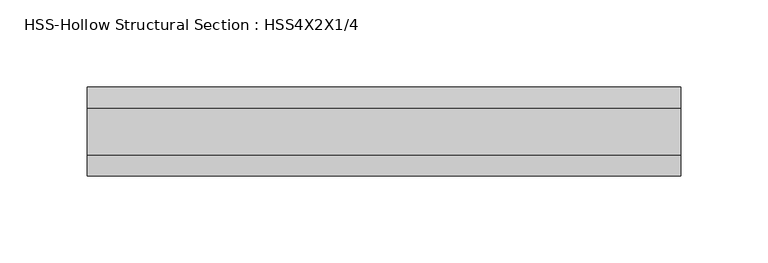
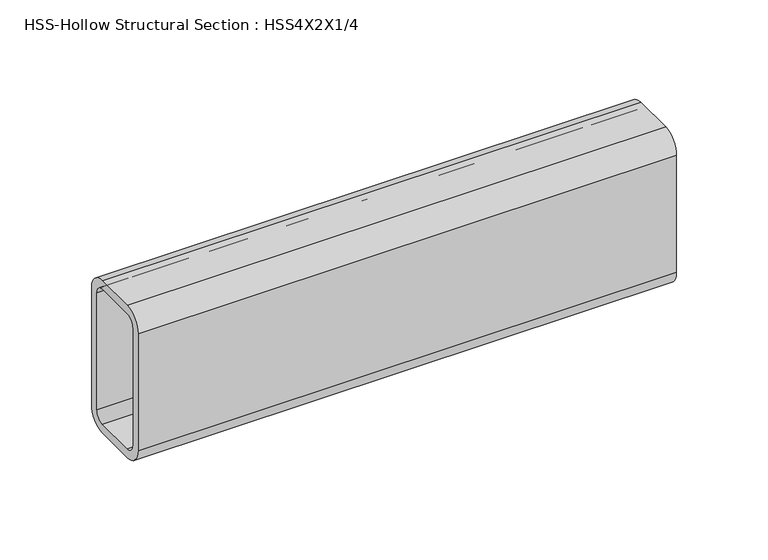
"""IFC4 building model written with IfcOpenShell, lengths in millimetres: beam geometry, HSS-Hollow Structural Section : HSS4X2X1/4."""

from ifc_helpers import new_model, si_unit, point, frame, frame_2d, origin, place, context, project, spatial, polyline, circle_curve, trimmed, segment, composite_curve, outline, extrude, source, transform, mapped, element, save


def hss_hollow_structural_section_hss4x2x1_4_a4404d37(model_context):
    return source(origin(), model_context, "Body", "SweptSolid", [
        extrude(outline(composite_curve([segment(polyline([(25.4, 38.9636), (25.4, -38.9636)]), True, "CONTINUOUS"), segment(trimmed(circle_curve(frame_2d((13.5636, -38.9636)), 11.8364), [point((25.4, -38.9636))], [point((13.5636, -50.8))], False, "CARTESIAN"), True, "CONTINUOUS"), segment(polyline([(13.5636, -50.8), (-13.5636, -50.8)]), True, "CONTINUOUS"), segment(trimmed(circle_curve(frame_2d((-13.5636, -38.9636)), 11.8364), [point((-13.5636, -50.8))], [point((-25.4, -38.9636))], False, "CARTESIAN"), True, "CONTINUOUS"), segment(polyline([(-25.4, -38.9636), (-25.4, 38.9636)]), True, "CONTINUOUS"), segment(trimmed(circle_curve(frame_2d((-13.5636, 38.9636)), 11.8364), [point((-25.4, 38.9636))], [point((-13.5636, 50.8))], False, "CARTESIAN"), True, "CONTINUOUS"), segment(polyline([(-13.5636, 50.8), (13.5636, 50.8)]), True, "CONTINUOUS"), segment(trimmed(circle_curve(frame_2d((13.5636, 38.9636)), 11.8364), [point((13.5636, 50.8))], [point((25.4, 38.9636))], False, "CARTESIAN"), True, "CONTINUOUS")], self_intersect=False), holes=[composite_curve([segment(trimmed(circle_curve(frame_2d((-13.5636, 38.9636)), 5.9182), [point((-13.5636, 44.8818))], [point((-19.4818, 38.9636))], True, "CARTESIAN"), True, "CONTINUOUS"), segment(polyline([(-19.4818, 38.9636), (-19.4818, -38.9636)]), True, "CONTINUOUS"), segment(trimmed(circle_curve(frame_2d((-13.5636, -38.9636)), 5.9182), [point((-19.4818, -38.9636))], [point((-13.5636, -44.8818))], True, "CARTESIAN"), True, "CONTINUOUS"), segment(polyline([(-13.5636, -44.8818), (13.5636, -44.8818)]), True, "CONTINUOUS"), segment(trimmed(circle_curve(frame_2d((13.5636, -38.9636)), 5.9182), [point((13.5636, -44.8818))], [point((19.4818, -38.9636))], True, "CARTESIAN"), True, "CONTINUOUS"), segment(polyline([(19.4818, -38.9636), (19.4818, 38.9636)]), True, "CONTINUOUS"), segment(trimmed(circle_curve(frame_2d((13.5636, 38.9636)), 5.9182), [point((19.4818, 38.9636))], [point((13.5636, 44.8818))], True, "CARTESIAN"), True, "CONTINUOUS"), segment(polyline([(13.5636, 44.8818), (-13.5636, 44.8818)]), True, "CONTINUOUS")], self_intersect=False)]), frame((-195.2625, 0.0, 0.0), z_axis=(1.0, 0.0, 0.0), x_axis=(0.0, 1.0, 0.0)), (0.0, 0.0, 1.0), 339.725),
    ])


if __name__ == "__main__":
    model = new_model("IFC4")
    model_context = context("Model", 3, world=origin())
    ifc_project = project(units=[si_unit("LENGTHUNIT", "METRE", prefix="MILLI")], contexts=[model_context])
    site = spatial("IfcSite", under=ifc_project)
    building = spatial("IfcBuilding", under=site)
    placement = place(None, origin())
    hss_hollow_structural_section_hss4x2x1_4_shape = hss_hollow_structural_section_hss4x2x1_4_a4404d37(model_context)
    element("IfcBeam", 1, ObjectType="HSS-Hollow Structural Section : HSS4X2X1/4", at=placement, inside=building, context=model_context, shape_type="MappedRepresentation", body=[
        mapped(hss_hollow_structural_section_hss4x2x1_4_shape, transform((0.0, 0.0, 0.0), x_axis=(1.0, 0.0, 0.0), y_axis=(0.0, 1.0, 0.0), z_axis=(0.0, 0.0, 1.0))),
    ])
    save(model, "model.ifc")
